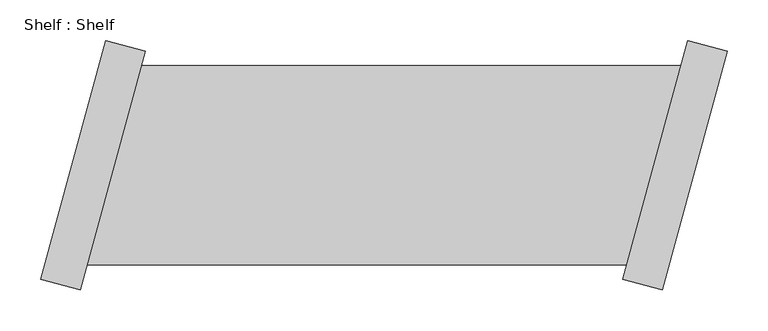
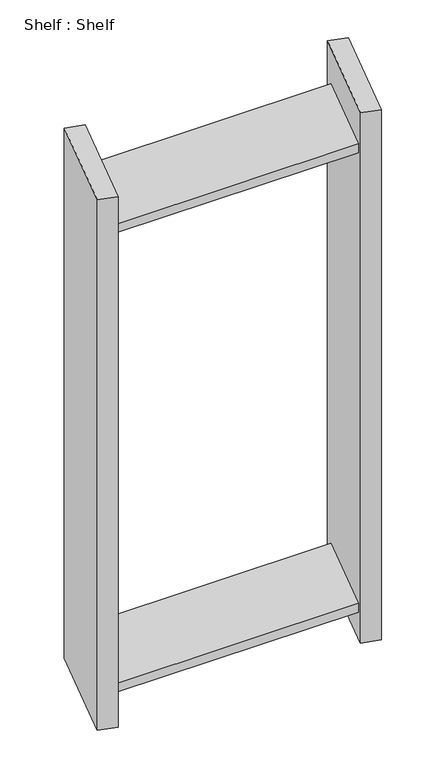
"""IFC4 building model written with IfcOpenShell, lengths in millimetres: proxy geometry, Shelf : Shelf."""

from ifc_helpers import new_model, si_unit, origin, place, context, project, spatial, faceted_brep, source, transform, mapped, element, save


def shelf_shelf_cb3a68e9(model_context):
    return source(origin(), model_context, "Body", "Brep", [
        faceted_brep([(-388.8208154, 122.544275, 1422.4), (-388.8208154, 122.544275, 1397.0), (-1052.270519, 122.544275, 1397.0), (-1052.270519, 122.544275, 1422.4), (-455.5111648, -122.544275, 1397.0), (-1118.9608684, -122.544275, 1397.0), (-455.5111648, -122.544275, 1422.4), (-1118.9608684, -122.544275, 1422.4), (-331.3193783, 140.384095, 0.0), (-411.3477976, -153.7221649, 0.0), (-460.3655075, -140.384095, 0.0), (-380.3370883, 153.7221649, 0.0), (-411.3477976, -153.7221649, 1524.0), (-460.3655075, -140.384095, 1524.0), (-331.3193783, 140.384095, 1524.0), (-380.3370883, 153.7221649, 1524.0), (-455.5111648, -122.544275, 76.2), (-388.8208154, 122.544275, 76.2), (-388.8208154, 122.544275, 101.6), (-455.5111648, -122.544275, 101.6), (-1118.9608684, -122.544275, 76.2), (-1052.270519, 122.544275, 76.2), (-1118.9608684, -122.544275, 101.6), (-1052.270519, 122.544275, 101.6), (-1176.4623055, -140.384095, 0.0), (-1096.4338862, 153.7221649, 0.0), (-1047.4161762, 140.384095, 0.0), (-1127.4445955, -153.7221649, 0.0), (-1127.4445955, -153.7221649, 1524.0), (-1176.4623055, -140.384095, 1524.0), (-1047.4161762, 140.384095, 1524.0), (-1096.4338862, 153.7221649, 1524.0)], [[[0, 1, 2, 3]], [[1, 4, 5, 2]], [[4, 6, 7, 5]], [[6, 0, 3, 7]], [[8, 9, 10, 11]], [[10, 9, 12, 13]], [[13, 12, 14, 15]], [[8, 11, 15, 14]], [[11, 10, 13, 15], [1, 0, 6, 4], [16, 17, 18, 19]], [[9, 8, 14, 12]], [[17, 16, 20, 21]], [[16, 19, 22, 20]], [[19, 18, 23, 22]], [[18, 17, 21, 23]], [[24, 25, 26, 27]], [[24, 27, 28, 29]], [[29, 28, 30, 31]], [[26, 25, 31, 30]], [[27, 26, 30, 28], [3, 2, 5, 7], [21, 20, 22, 23]], [[25, 24, 29, 31]]]),
    ])


if __name__ == "__main__":
    model = new_model("IFC4")
    model_context = context("Model", 3, world=origin())
    ifc_project = project(units=[si_unit("LENGTHUNIT", "METRE", prefix="MILLI")], contexts=[model_context])
    site = spatial("IfcSite", under=ifc_project)
    building = spatial("IfcBuilding", under=site)
    placement = place(None, origin())
    shelf_shelf_shape = shelf_shelf_cb3a68e9(model_context)
    element("IfcBuildingElementProxy", 1, Name="Shelf : Shelf", ObjectType="Shelf : Shelf", at=placement, inside=building, context=model_context, shape_type="MappedRepresentation", body=[
        mapped(shelf_shelf_shape, transform((0.0, 0.0, 0.0), x_axis=(1.0, 0.0, 0.0), y_axis=(0.0, 1.0, 0.0), z_axis=(0.0, 0.0, 1.0))),
    ])
    save(model, "model.ifc")
